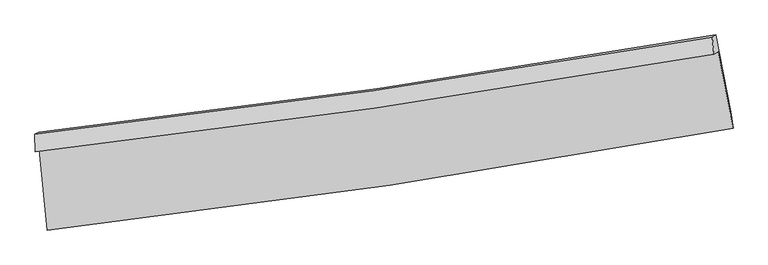
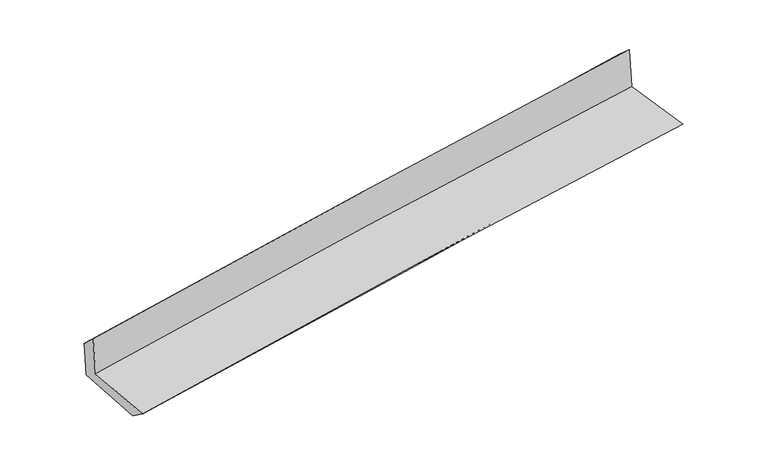
"""IFC4 building model written with IfcOpenShell, lengths in millimetres: proxy geometry."""

from ifc_helpers import new_model, si_unit, frame, origin, place, context, project, spatial, source, transform, mapped, element, save
from ifc_brep_helpers import plane_surface, spline_curve, spline_surface, advanced_brep


def generic_models_07102be3(model_context):
    return source(origin(), model_context, "Body", "AdvancedBrep", [
        advanced_brep(
        [(-2880.7585913, -1891.9444103, 1647.4514137), (-2811.2748894, -2570.7468508, 1617.6565272), (2962.384272, -1714.8339455, 2079.5941287), (2836.7640313, -1069.9765234, 2120.15055), (-2914.3563982, -1912.1503065, 2029.4401722), (2801.2350931, -1091.3438121, 2524.0952184), (-2916.623838, -1766.0726939, 1899.6744781), (2786.4696067, -947.2198387, 2397.2478252), (-2885.6600276, -1747.4508969, 1547.6328261), (2818.3182291, -928.0659112, 2035.1463425), (-2816.3036418, -2409.0121776, 1501.0158705), (2944.6179892, -1576.41157, 1994.3705388)],
        [
            (0, 1),
            (1, 2, spline_curve(3, [(-2811.2748894, -2570.7468508, 1617.6565272), (-1850.096065035, -2462.829820896, 1743.708859254), (-889.385127532, -2337.732520883, 1845.200461546), (1035.171901904, -2052.574198566, 1999.388352553), (1999.014018165, -1892.367196935, 2051.875951114), (2962.384272, -1714.8339455, 2079.5941287)], [4, 2, 4], [0.0, 9.54041706098808, 19.121280505104615])),
            (2, 3),
            (3, 0, spline_curve(3, [(2836.7640313, -1069.9765234, 2120.15055), (1882.122935682, -1236.221103001, 2085.043811085), (927.334022524, -1387.954977142, 2027.969153911), (-978.508096958, -1661.822015052, 1870.217687857), (-1929.560057963, -1784.077436739, 1769.725966387), (-2880.7585913, -1891.9444103, 1647.4514137)], [4, 2, 4], [0.0, 9.580863444116535, 19.121280505104615])),
            (4, 0),
            (3, 5),
            (5, 4, spline_curve(3, [(2801.2350931, -1091.3438121, 2524.0952184), (1847.223346353, -1257.209898076, 2481.833125167), (892.910051345, -1408.657732804, 2419.350950799), (-1012.28965325, -1682.138419222, 2254.295574202), (-1963.173521689, -1804.292748927, 2151.892733304), (-2914.3563982, -1912.1503065, 2029.4401722)], [4, 2, 4], [0.0, 9.53105837122122, 19.02188061542209])),
            (6, 4),
            (5, 7),
            (7, 6, spline_curve(3, [(2786.4696067, -947.2198387, 2397.2478252), (1836.653299579, -1111.393935514, 2330.377159101), (885.479201586, -1261.834072771, 2255.372503351), (-1015.563386253, -1534.669310942, 2089.446189305), (-1965.420436595, -1657.180125836, 1998.593062764), (-2916.623838, -1766.0726939, 1899.6744781)], [4, 2, 4], [0.0, 9.519206034515541, 18.99822597760034])),
            (8, 6),
            (7, 9),
            (9, 8, spline_curve(3, [(2818.3182291, -928.0659112, 2035.1463425), (1868.085549851, -1092.490416565, 1973.009601509), (916.629659458, -1243.100024999, 1901.208771051), (-984.706731855, -1516.111958159, 1738.622842438), (-1934.576927335, -1638.630678274, 1647.919167311), (-2885.6600276, -1747.4508969, 1547.6328261)], [4, 2, 4], [0.0, 9.508330047816015, 18.97651991805107])),
            (10, 8),
            (9, 11),
            (11, 10, spline_curve(3, [(2944.6179892, -1576.41157, 1994.3705388), (1986.738817926, -1755.003585845, 1930.478590178), (1026.702391523, -1913.787931461, 1857.313187998), (-893.622994555, -2191.154580963, 1692.783500038), (-1853.893778183, -2309.903771244, 1601.497345813), (-2816.3036418, -2409.0121776, 1501.0158705)], [4, 2, 4], [0.0, 9.55715483029545, 19.073963365276416])),
            (1, 10),
            (11, 2),
        ],
        [
            spline_surface(3, 3, [[(-2880.7585913, -1891.9444103, 1647.4514137), (-1929.560058054, -1784.07743675, 1769.725966305), (-978.508097014, -1661.822015103, 1870.217687919), (927.33402258, -1387.954977091, 2027.969153849), (1882.122935779, -1236.22110308, 2085.043810972), (2836.7640313, -1069.9765234, 2120.15055)], [(-2857.597357356, -2118.211890482, 1637.519784862), (-1903.072060355, -2010.32823145, 1761.053597285), (-948.800440517, -1887.125517039, 1861.878612409), (963.279982355, -1609.494717619, 2018.44222012), (1921.086629972, -1454.936467663, 2073.987857645), (2878.637444888, -1284.92899745, 2106.631742898)], [(-2834.436123344, -2344.479370618, 1627.588156038), (-1876.584062587, -2236.579026106, 1752.381228279), (-919.092784024, -2112.429018906, 1853.539536924), (999.225942125, -1831.034458078, 2008.915286416), (1960.050324099, -1673.651832194, 2062.931904324), (2920.510858412, -1499.88147145, 2093.112935802)], [(-2811.2748894, -2570.7468508, 1617.6565272), (-1850.096064887, -2462.829820805, 1743.708859258), (-889.385127528, -2337.732520842, 1845.200461413), (1035.1719019, -2052.574198607, 1999.388352686), (1999.014018291, -1892.367196776, 2051.875950997), (2962.384272, -1714.8339455, 2079.5941287)]], [4, 4], [4, 2, 4], [0.0, 2.2243216325306676], [0.0, 9.54041706098808, 19.121280505104615]),
            spline_surface(3, 3, [[(-2914.3563982, -1912.1503065, 2029.4401722), (-1963.173521679, -1804.292748986, 2151.892733231), (-1012.289653162, -1682.138419101, 2254.295574278), (892.910051256, -1408.657732925, 2419.350950723), (1847.223346501, -1257.209898057, 2481.833125045), (2801.2350931, -1091.3438121, 2524.0952184)], [(-2903.157129216, -1905.415007739, 1902.110586035), (-1951.969033787, -1797.554311547, 2024.503810924), (-1001.029134457, -1675.366284439, 2126.26961216), (904.384708353, -1401.756814317, 2288.890351766), (1858.856542922, -1250.213633073, 2349.570020354), (2813.078072495, -1084.221382542, 2389.4469956)], [(-2891.957860284, -1898.679709061, 1774.780999865), (-1940.764545946, -1790.815874189, 1897.114888612), (-989.768615719, -1668.594149765, 1998.243650038), (915.859365483, -1394.855895698, 2158.429752806), (1870.489739358, -1243.217368064, 2217.306915663), (2824.921051905, -1077.098952958, 2254.7987728)], [(-2880.7585913, -1891.9444103, 1647.4514137), (-1929.560058054, -1784.07743675, 1769.725966305), (-978.508097014, -1661.822015103, 1870.217687919), (927.33402258, -1387.954977091, 2027.969153849), (1882.122935779, -1236.22110308, 2085.043810972), (2836.7640313, -1069.9765234, 2120.15055)]], [4, 4], [4, 2, 4], [0.0, 1.2788131323615148], [0.0, 9.49082224420087, 19.02188061542209]),
            spline_surface(3, 3, [[(-2916.623838, -1766.0726939, 1899.6744781), (-1965.420436658, -1657.180125769, 1998.593062696), (-1015.563386369, -1534.66931109, 2089.446189348), (885.479201703, -1261.834072623, 2255.372503308), (1836.653299667, -1111.39393556, 2330.377159069), (2786.4696067, -947.2198387, 2397.2478252)], [(-2915.868024759, -1814.765231442, 1942.929709444), (-1964.671465024, -1706.217666851, 2049.692952852), (-1014.472141956, -1583.825680405, 2144.395984305), (887.956151564, -1310.775292702, 2310.03198576), (1840.176648598, -1159.999256373, 2380.862481077), (2791.391435487, -995.261163148, 2439.530289617)], [(-2915.112211441, -1863.457768958, 1986.184940856), (-1963.922493313, -1755.255207905, 2100.792843076), (-1013.380897575, -1632.982049786, 2199.345779321), (890.433101395, -1359.716512846, 2364.691468271), (1843.69999757, -1208.604577244, 2431.347803036), (2796.313264313, -1043.302487652, 2481.812753983)], [(-2914.3563982, -1912.1503065, 2029.4401722), (-1963.173521679, -1804.292748986, 2151.892733231), (-1012.289653162, -1682.138419101, 2254.295574278), (892.910051256, -1408.657732925, 2419.350950723), (1847.223346501, -1257.209898057, 2481.833125045), (2801.2350931, -1091.3438121, 2524.0952184)]], [4, 4], [4, 2, 4], [0.0, 0.7241050168076937], [0.0, 9.4790199430848, 18.99822597760034]),
            spline_surface(3, 3, [[(-2885.6600276, -1747.4508969, 1547.6328261), (-1934.576927238, -1638.630678406, 1647.919167278), (-984.706731964, -1516.111958279, 1738.622842391), (916.629659567, -1243.100024879, 1901.208771099), (1868.085549866, -1092.490416472, 1973.00960142), (2818.3182291, -928.0659112, 2035.1463425)], [(-2895.981297708, -1753.658162559, 1664.980043445), (-1944.85809702, -1644.813827519, 1764.810465762), (-994.992283415, -1522.297742551, 1855.563958069), (906.246173629, -1249.344707462, 2019.263348527), (1857.608133151, -1098.791589515, 2092.132120608), (2807.702021651, -934.450553713, 2155.846836705)], [(-2906.302567892, -1759.865428241, 1782.327260755), (-1955.139266876, -1650.996976656, 1881.701764211), (-1005.277834918, -1528.483526818, 1972.50507367), (895.86268764, -1255.58939004, 2137.317925879), (1847.130716382, -1105.092762518, 2211.25463988), (2797.085814149, -940.835196187, 2276.547330995)], [(-2916.623838, -1766.0726939, 1899.6744781), (-1965.420436658, -1657.180125769, 1998.593062696), (-1015.563386369, -1534.66931109, 2089.446189348), (885.479201703, -1261.834072623, 2255.372503308), (1836.653299667, -1111.39393556, 2330.377159069), (2786.4696067, -947.2198387, 2397.2478252)]], [4, 4], [4, 2, 4], [0.0, 1.1625735052259554], [0.0, 9.468189870235056, 18.97651991805107]),
            spline_surface(3, 3, [[(-2816.3036418, -2409.0121776, 1501.0158705), (-1853.893778254, -2309.903771258, 1601.497345834), (-893.622994494, -2191.154580985, 1692.783499984), (1026.702391461, -1913.787931438, 1857.313188052), (1986.738818004, -1755.003585862, 1930.478590033), (2944.6179892, -1576.41157, 1994.3705388)], [(-2839.422437071, -2188.491750704, 1516.554855684), (-1880.788161252, -2086.146073645, 1616.971286299), (-923.984240345, -1966.140373414, 1708.063280773), (990.011480802, -1690.225295916, 1871.945049053), (1947.187728603, -1534.165862728, 1944.655593844), (2902.518069145, -1360.296350396, 2007.962473383)], [(-2862.541232329, -1967.971323796, 1532.093840916), (-1907.682544239, -1862.388376019, 1632.445226813), (-954.345486113, -1741.12616585, 1723.343061603), (953.320570226, -1466.662660401, 1886.576910097), (1907.636639268, -1313.328139606, 1958.832597608), (2860.418149155, -1144.181130804, 2021.554407917)], [(-2885.6600276, -1747.4508969, 1547.6328261), (-1934.576927238, -1638.630678406, 1647.919167278), (-984.706731964, -1516.111958279, 1738.622842391), (916.629659567, -1243.100024879, 1901.208771099), (1868.085549866, -1092.490416472, 1973.00960142), (2818.3182291, -928.0659112, 2035.1463425)]], [4, 4], [4, 2, 4], [0.0, 2.236926445921975], [0.0, 9.516808534980965, 19.073963365276416]),
            spline_surface(3, 3, [[(-2811.2748894, -2570.7468508, 1617.6565272), (-1850.096064887, -2462.829820805, 1743.708859258), (-889.385127528, -2337.732520842, 1845.200461413), (1035.1719019, -2052.574198607, 1999.388352686), (1999.014018291, -1892.367196776, 2051.875950997), (2962.384272, -1714.8339455, 2079.5941287)], [(-2812.95114019, -2516.835293074, 1578.77630833), (-1851.361969332, -2411.854470963, 1696.30502148), (-890.79774984, -2288.873207551, 1794.394807619), (1032.348731763, -2006.312109546, 1952.02996449), (1994.922284863, -1846.579326456, 2011.410164006), (2956.462177734, -1668.693153651, 2051.186265397)], [(-2814.62739101, -2462.923735326, 1539.89608937), (-1852.627873808, -2360.8791211, 1648.901183612), (-892.210372182, -2240.013894275, 1743.589153779), (1029.525561598, -1960.0500205, 1904.671576248), (1990.830551433, -1800.791456182, 1970.944377024), (2950.540083466, -1622.552361849, 2022.778402103)], [(-2816.3036418, -2409.0121776, 1501.0158705), (-1853.893778254, -2309.903771258, 1601.497345834), (-893.622994494, -2191.154580985, 1692.783499984), (1026.702391461, -1913.787931438, 1857.313188052), (1986.738818004, -1755.003585862, 1930.478590033), (2944.6179892, -1576.41157, 1994.3705388)]], [4, 4], [4, 2, 4], [0.0, 0.6729231612612097], [0.0, 9.577096316872739, 19.19479451775266]),
            plane_surface(frame((2858.2982036, -1221.3086001, 2191.7674339), z_axis=(0.9781489078441837, 0.18452180395107542, 0.09579362165547173), x_axis=(-0.08749532659257607, -0.05262014561902585, 0.9947741895020653))),
            plane_surface(frame((-2870.8295644, -2049.5628893, 1707.1452146), z_axis=(-0.9909565753017592, -0.09738465210981986, -0.09231086284754561), x_axis=(-0.10173314941775694, 0.9938547931204296, 0.043623577353221664))),
        ],
        [
            (0, [[1, 2, 3, 4]]),
            (1, [[5, -4, 6, 7]]),
            (2, [[8, -7, 9, 10]]),
            (3, [[11, -10, 12, 13]]),
            (4, [[14, -13, 15, 16]]),
            (5, [[17, -16, 18, -2]]),
            (6, [[-12, -9, -6, -3, -18, -15]]),
            (7, [[-1, -5, -8, -11, -14, -17]]),
        ],
    ),
    ])


if __name__ == "__main__":
    model = new_model("IFC4")
    model_context = context("Model", 3, world=origin())
    ifc_project = project(units=[si_unit("LENGTHUNIT", "METRE", prefix="MILLI")], contexts=[model_context])
    site = spatial("IfcSite", under=ifc_project)
    building = spatial("IfcBuilding", under=site)
    placement = place(None, origin())
    generic_models_shape = generic_models_07102be3(model_context)
    element("IfcBuildingElementProxy", 1, Name="Generic Models", at=placement, inside=building, context=model_context, shape_type="MappedRepresentation", body=[
        mapped(generic_models_shape, transform((0.0, 0.0, 0.0), x_axis=(1.0, 0.0, 0.0), y_axis=(0.0, 1.0, 0.0), z_axis=(0.0, 0.0, 1.0))),
    ])
    save(model, "model.ifc")
